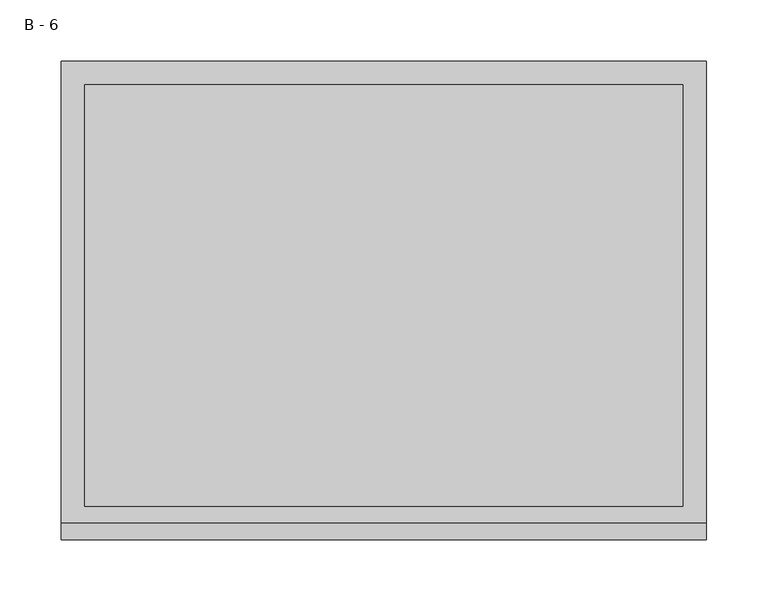
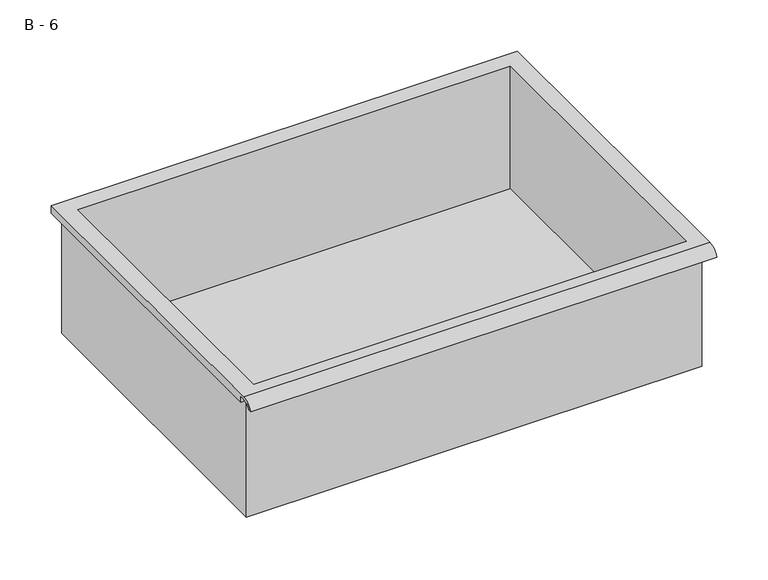
"""IFC4 building model written with IfcOpenShell, lengths in millimetres: furniture geometry, B - 6."""

from ifc_helpers import new_model, si_unit, frame, origin, place, context, project, spatial, polyline, circle_curve, source, transform, mapped, element, save
from ifc_brep_helpers import plane_surface, cylinder_surface, revolved_surface, advanced_brep


def b_6_726beb17(model_context):
    return source(origin(), model_context, "Body", "AdvancedBrep", [
        advanced_brep(
        [(-257.1076517, -176.2125, 419.0111), (257.2423483, -176.2125, 419.0111), (257.2423483, -176.2125, 558.7111), (263.5923483, -176.2125, 558.7111), (263.5923483, -176.2125, 565.0182341), (-263.4576517, -176.2125, 565.0182341), (-263.4576517, -176.2125, 558.7111), (-257.1076517, -176.2125, 558.7111), (257.2423483, 185.7375, 419.0111), (-257.1076517, 185.7375, 419.0111), (-257.1076517, 185.7375, 558.7111), (257.2423483, 185.7375, 558.7111), (263.5923483, -181.6070544, 568.2361), (263.5923483, 195.2625, 568.2361), (-263.4576517, 195.2625, 568.2361), (-263.4576517, -181.6070544, 568.2361), (244.5423483, -168.275, 568.2361), (-244.4076517, -168.275, 568.2361), (-244.4076517, 176.2125, 568.2361), (244.5423483, 176.2125, 568.2361), (263.5923483, -195.2625, 558.7111), (263.5923483, -191.8280601, 558.7111), (263.5923483, -180.4714815, 565.0182341), (263.5923483, 195.2625, 558.7111), (-263.4576517, 195.2625, 558.7111), (-263.4576517, -180.4714815, 565.0182341), (-263.4576517, -191.8280601, 558.7111), (-263.4576517, -195.2625, 558.7111), (-244.4076517, -168.275, 422.0372719), (244.5423483, -168.275, 422.0372719), (244.5423483, 176.2125, 422.0372719), (-244.4076517, 176.2125, 422.0372719)],
        [
            (0, 1),
            (1, 2),
            (2, 3),
            (3, 4),
            (4, 5),
            (5, 6),
            (6, 7),
            (7, 0),
            (8, 9),
            (9, 10),
            (10, 11),
            (11, 8),
            (0, 9),
            (8, 1),
            (11, 2),
            (12, 13),
            (13, 14),
            (14, 15),
            (15, 12),
            (16, 17),
            (17, 18),
            (18, 19),
            (19, 16),
            (7, 10),
            (12, 20, circle_curve(frame((263.5923483, -181.6070544, 553.6850859), z_axis=(1.0, 0.0, 0.0), x_axis=(0.0, 1.0, 0.0)), 14.5510141)),
            (20, 21),
            (21, 22, circle_curve(frame((263.5923483, -181.6070544, 553.6850859), z_axis=(-1.0, 0.0, 0.0), x_axis=(0.0, 1.0, 0.0)), 11.3898979)),
            (22, 4),
            (3, 23),
            (23, 13),
            (14, 24),
            (24, 6),
            (5, 25),
            (25, 26, circle_curve(frame((-263.4576517, -181.6070544, 553.6850859), z_axis=(1.0, 0.0, 0.0), x_axis=(0.0, 1.0, 0.0)), 11.3898979)),
            (26, 27),
            (27, 15, circle_curve(frame((-263.4576517, -181.6070544, 553.6850859), z_axis=(-1.0, 0.0, 0.0), x_axis=(0.0, 1.0, 0.0)), 14.5510141)),
            (27, 20),
            (26, 21),
            (25, 22),
            (24, 23),
            (28, 29),
            (29, 30),
            (30, 31),
            (31, 28),
            (28, 17),
            (16, 29),
            (19, 30),
            (18, 31),
        ],
        [
            plane_surface(frame((257.2423483, -176.2125, 419.0111), z_axis=(0.0, -1.0, 0.0), x_axis=(1.0, 0.0, 0.0))),
            plane_surface(frame((257.2423483, 185.7375, 419.0111), z_axis=(0.0, 1.0, 0.0), x_axis=(-1.0, 0.0, 0.0))),
            plane_surface(frame((-257.1076517, -176.2125, 419.0111), z_axis=(0.0, 0.0, -1.0), x_axis=(0.0, 1.0, 0.0))),
            plane_surface(frame((257.2423483, -176.2125, 419.0111), z_axis=(1.0, 0.0, 0.0), x_axis=(0.0, 1.0, 0.0))),
            plane_surface(frame((257.2423483, -176.2125, 568.2361), z_axis=(0.0, 0.0, 1.0), x_axis=(0.0, 1.0, 0.0))),
            plane_surface(frame((-257.1076517, -176.2125, 568.2361), z_axis=(-1.0, 0.0, 0.0), x_axis=(0.0, 1.0, 0.0))),
            plane_surface(frame((263.5923483, 195.2625, 568.2361), z_axis=(1.0, 0.0, 0.0), x_axis=(0.0, -1.0, 0.0))),
            plane_surface(frame((-263.4576517, 195.2625, 568.2361), z_axis=(-1.0, 0.0, 0.0), x_axis=(0.0, 1.0, 0.0))),
            cylinder_surface(frame((-263.4576517, -181.6070544, 553.6850859), z_axis=(1.0, 0.0, 0.0), x_axis=(0.0, 1.0, 0.0)), 14.5510141),
            plane_surface(frame((263.5923483, -195.2625, 558.7111), z_axis=(0.0, -7.232115144331015e-12, -1.0), x_axis=(-1.0, 0.0, 0.0))),
            revolved_surface(polyline([(-263.4576517, -170.21715650000002, 553.6850859), (263.59234829999997, -170.21715650000002, 553.6850859)]), (-263.4576517, -181.6070544, 553.6850859), (-1.0, 0.0, 0.0)),
            plane_surface(frame((263.5923483, -180.4714815, 565.0182341), z_axis=(0.0, -1.7909083067374213e-11, -1.0), x_axis=(-1.0, 0.0, 0.0))),
            plane_surface(frame((263.5923483, -176.2125, 558.7111), z_axis=(0.0, 0.0, -1.0), x_axis=(-1.0, 0.0, 0.0))),
            plane_surface(frame((263.5923483, 195.2625, 558.7111), z_axis=(0.0, 1.0, 0.0), x_axis=(-1.0, 0.0, 0.0))),
            plane_surface(frame((244.5423483, -168.275, 422.0372719), z_axis=(0.0, 0.0, 1.0), x_axis=(-1.0, 0.0, 0.0))),
            plane_surface(frame((-244.4076517, -168.275, 568.2361), z_axis=(0.0, 1.0, 0.0), x_axis=(0.0, 0.0, -1.0))),
            plane_surface(frame((244.5423483, -168.275, 568.2361), z_axis=(-1.0, 0.0, 0.0), x_axis=(0.0, 0.0, -1.0))),
            plane_surface(frame((244.5423483, 176.2125, 568.2361), z_axis=(0.0, -1.0, 0.0), x_axis=(0.0, 0.0, -1.0))),
            plane_surface(frame((-244.4076517, 176.2125, 568.2361), z_axis=(1.0, 0.0, 0.0), x_axis=(0.0, 0.0, -1.0))),
        ],
        [
            (0, [[1, 2, 3, 4, 5, 6, 7, 8]]),
            (1, [[9, 10, 11, 12]]),
            (2, [[-1, 13, -9, 14]]),
            (3, [[-14, -12, 15, -2]]),
            (4, [[16, 17, 18, 19], [20, 21, 22, 23]]),
            (5, [[-13, -8, 24, -10]]),
            (6, [[-16, 25, 26, 27, 28, -4, 29, 30]]),
            (7, [[31, 32, -6, 33, 34, 35, 36, -18]]),
            (8, [[-25, -19, -36, 37]]),
            (9, [[-26, -37, -35, 38]]),
            (10, [[-27, -38, -34, 39]]),
            (11, [[-28, -39, -33, -5]]),
            (12, [[-29, -3, -15, -11, -24, -7, -32, 40]]),
            (13, [[-30, -40, -31, -17]]),
            (14, [[41, 42, 43, 44]]),
            (15, [[-41, 45, -20, 46]]),
            (16, [[-42, -46, -23, 47]]),
            (17, [[-43, -47, -22, 48]]),
            (18, [[-44, -48, -21, -45]]),
        ],
    ),
    ])


if __name__ == "__main__":
    model = new_model("IFC4")
    model_context = context("Model", 3, world=origin())
    ifc_project = project(units=[si_unit("LENGTHUNIT", "METRE", prefix="MILLI")], contexts=[model_context])
    site = spatial("IfcSite", under=ifc_project)
    building = spatial("IfcBuilding", under=site)
    placement = place(None, origin())
    b_6_shape = b_6_726beb17(model_context)
    element("IfcFurniture", 1, ObjectType="B - 6", at=placement, inside=building, context=model_context, shape_type="MappedRepresentation", body=[
        mapped(b_6_shape, transform((0.0, 0.0, 0.0), x_axis=(1.0, 0.0, 0.0), y_axis=(0.0, 1.0, 0.0), z_axis=(0.0, 0.0, 1.0))),
    ])
    save(model, "model.ifc")
